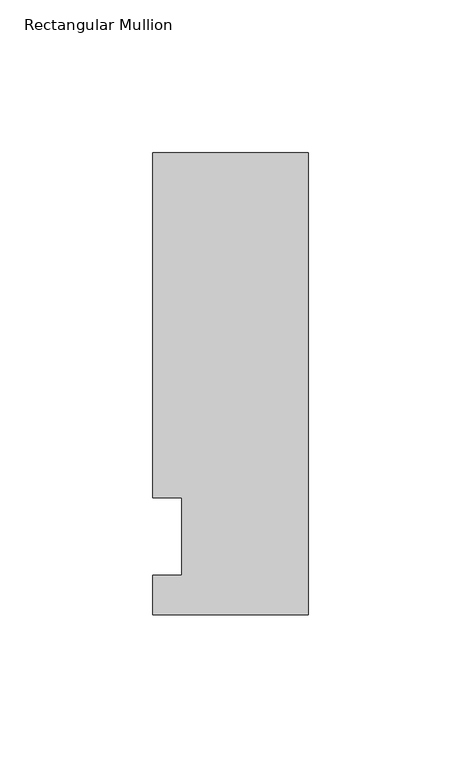
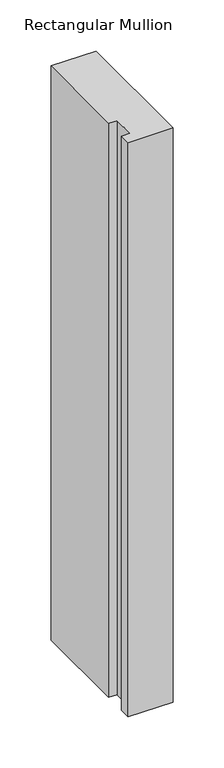
"""IFC4 building model written with IfcOpenShell, lengths in millimetres: member geometry, Rectangular Mullion."""

from ifc_helpers import new_model, si_unit, frame, origin, place, context, project, spatial, polyline, outline, extrude, source, transform, mapped, element, save


def rectangular_mullion_9b6a59c0(model_context):
    return source(origin(), model_context, "Body", "SweptSolid", [
        extrude(outline(polyline([(-50.8, -25.5984375), (-50.8, -12.7), (-41.275, -12.7), (-41.275, 12.7), (-50.8, 12.7), (-50.8, 125.6109375), (0.0, 125.6109375), (0.0, -25.5984375), (-50.8, -25.5984375)])), frame((0.0, 0.0, -685.8), z_axis=(0.0, 0.0, 1.0), x_axis=(1.0, 0.0, 0.0)), (0.0, 0.0, 1.0), 685.8),
    ])


if __name__ == "__main__":
    model = new_model("IFC4")
    model_context = context("Model", 3, world=origin())
    ifc_project = project(units=[si_unit("LENGTHUNIT", "METRE", prefix="MILLI")], contexts=[model_context])
    site = spatial("IfcSite", under=ifc_project)
    building = spatial("IfcBuilding", under=site)
    placement = place(None, origin())
    rectangular_mullion_shape = rectangular_mullion_9b6a59c0(model_context)
    element("IfcMember", 1, ObjectType="Rectangular Mullion", at=placement, inside=building, context=model_context, shape_type="MappedRepresentation", body=[
        mapped(rectangular_mullion_shape, transform((0.0, 0.0, 0.0), x_axis=(1.0, 0.0, 0.0), y_axis=(0.0, 1.0, 0.0), z_axis=(0.0, 0.0, 1.0))),
    ])
    save(model, "model.ifc")
